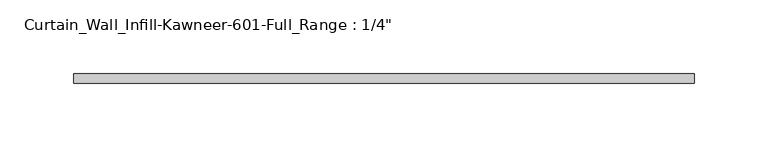
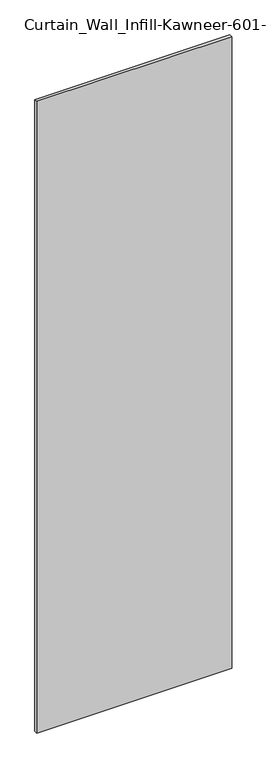
"""IFC4 building model written with IfcOpenShell, lengths in millimetres: plate geometry."""

from ifc_helpers import new_model, si_unit, origin, origin_with_axes, place, context, project, spatial, polyline, outline, extrude, source, transform, mapped, element, save


def plate_26f8df74(model_context):
    return source(origin(), model_context, "Body", "SweptSolid", [
        extrude(outline(polyline([(-209.55, 0.0), (-209.55, 6.35), (209.55, 6.35), (209.55, 0.0), (-209.55, 0.0)])), origin_with_axes(), (0.0, 0.0, 1.0), 1435.1),
    ])


if __name__ == "__main__":
    model = new_model("IFC4")
    model_context = context("Model", 3, world=origin())
    ifc_project = project(units=[si_unit("LENGTHUNIT", "METRE", prefix="MILLI")], contexts=[model_context])
    site = spatial("IfcSite", under=ifc_project)
    building = spatial("IfcBuilding", under=site)
    placement = place(None, origin())
    plate_shape = plate_26f8df74(model_context)
    element("IfcPlate", 1, ObjectType="Curtain_Wall_Infill-Kawneer-601-Full_Range : 1/4\"", at=placement, inside=building, context=model_context, shape_type="MappedRepresentation", body=[
        mapped(plate_shape, transform((0.0, 0.0, 0.0), x_axis=(1.0, 0.0, 0.0), y_axis=(0.0, 1.0, 0.0), z_axis=(0.0, 0.0, 1.0))),
    ])
    save(model, "model.ifc")
